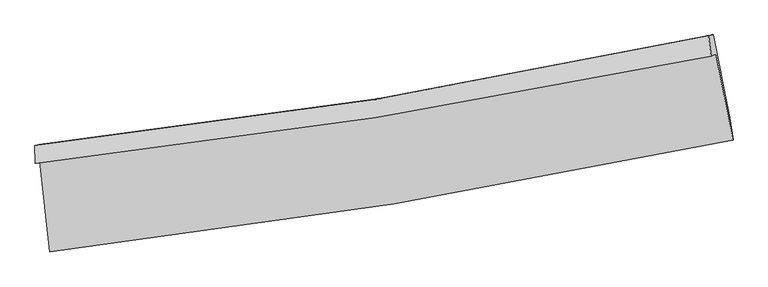
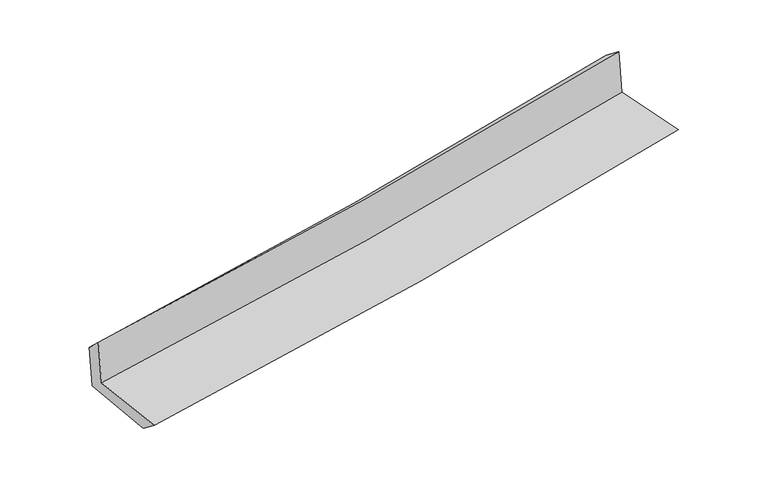
"""IFC4 building model written with IfcOpenShell, lengths in millimetres: proxy geometry."""

from ifc_helpers import new_model, si_unit, frame, origin, place, context, project, spatial, source, transform, mapped, element, save
from ifc_brep_helpers import plane_surface, spline_curve, spline_surface, advanced_brep


def generic_models_3e183903(model_context):
    return source(origin(), model_context, "Body", "AdvancedBrep", [
        advanced_brep(
        [(-2560.3912901, -1882.1413256, 1660.1503286), (-2485.3918886, -2558.510125, 1648.5599665), (2630.7756928, -1719.8031944, 2110.736248), (2501.548319, -1077.0815004, 2116.6708376), (-2594.8162523, -1896.8676904, 2058.0187061), (2466.990374, -1091.9627179, 2520.2514955), (-2598.3191988, -1762.0972002, 1934.0049239), (2447.5595585, -938.480143, 2398.7920844), (-2564.9796647, -1754.0202455, 1556.1478636), (2480.6381477, -930.4806557, 2025.9295302), (-2491.4104034, -2407.0952426, 1532.2284118), (2607.1313622, -1549.4019698, 1998.1611626)],
        [
            (0, 1),
            (1, 2, spline_curve(3, [(-2485.3918886, -2558.510125, 1648.5599665), (-1624.259840509, -2458.551626835, 1728.15485221), (-765.978118869, -2338.389232318, 1806.587688208), (939.374472785, -2058.560809966, 1960.631526137), (1786.481945165, -1899.154227678, 2036.257450788), (2630.7756928, -1719.8031944, 2110.736248)], [4, 2, 4], [0.0, 8.519915369740072, 16.984950334540518])),
            (2, 3),
            (3, 0, spline_curve(3, [(2501.548319, -1077.0815004, 2116.6708376), (1666.506576364, -1248.284514272, 2043.221636383), (828.529895836, -1400.818088084, 1968.580446458), (-858.74512854, -1669.414222936, 1816.422449264), (-1708.08165101, -1785.233923863, 1738.890136008), (-2560.3912901, -1882.1413256, 1660.1503286)], [4, 2, 4], [0.0, 8.465034964800445, 16.984950334540518])),
            (4, 0),
            (3, 5),
            (5, 4, spline_curve(3, [(2466.990374, -1091.9627179, 2520.2514955), (1631.842345231, -1263.196016677, 2447.268776687), (793.823360209, -1415.73196097, 2372.388629759), (-893.408168572, -1684.276841441, 2218.335715861), (-1742.658059222, -1800.042554657, 2139.138266328), (-2594.8162523, -1896.8676904, 2058.0187061)], [4, 2, 4], [0.0, 8.416802316119284, 16.88817233589557])),
            (6, 4),
            (5, 7),
            (7, 6, spline_curve(3, [(2447.5595585, -938.480143, 2398.7920844), (1616.122566304, -1119.612245042, 2330.819166558), (781.283854107, -1278.662862903, 2258.240522788), (-900.631480813, -1553.489127009, 2103.371382507), (-1747.752354173, -1668.977528015, 2021.020972824), (-2598.3191988, -1762.0972002, 1934.0049239)], [4, 2, 4], [0.0, 8.407442348970758, 16.86939171918085])),
            (8, 6),
            (7, 9),
            (9, 8, spline_curve(3, [(2480.6381477, -930.4806557, 2025.9295302), (1650.261446634, -1111.317080612, 1945.540832119), (815.976197722, -1270.21296817, 1866.320716048), (-865.845562276, -1545.011576182, 1709.711626061), (-1713.432917784, -1660.628885228, 1632.337853006), (-2564.9796647, -1754.0202455, 1556.1478636)], [4, 2, 4], [0.0, 8.397866917817097, 16.850178777562412])),
            (10, 8),
            (9, 11),
            (11, 10, spline_curve(3, [(2607.1313622, -1549.4019698, 1998.1611626), (1767.765901609, -1740.311139826, 1921.350247413), (924.589876539, -1907.087450747, 1844.243476551), (-774.874476019, -2193.29913863, 1688.936408346), (-1631.212372707, -2312.420585059, 1610.732262169), (-2491.4104034, -2407.0952426, 1532.2284118)], [4, 2, 4], [0.0, 8.445052719682476, 16.94485629567209])),
            (1, 10),
            (11, 2),
        ],
        [
            spline_surface(3, 3, [[(-2560.3912901, -1882.1413256, 1660.1503286), (-1708.081650886, -1785.233923936, 1738.890136133), (-858.745128435, -1669.41422286, 1816.422449297), (828.529895732, -1400.818088159, 1968.580446425), (1666.506576321, -1248.284514141, 2043.221636265), (2501.548319, -1077.0815004, 2116.6708376)], [(-2535.391489598, -2107.597592079, 1656.286874584), (-1680.141047396, -2009.673158229, 1735.311708164), (-827.822791923, -1892.405892681, 1813.144195555), (865.478088095, -1620.065662085, 1965.930806373), (1706.498365915, -1465.241085264, 2040.90024115), (2544.624110263, -1291.322065055, 2114.692641081)], [(-2510.391689102, -2333.053858521, 1652.423420516), (-1652.200443913, -2234.112392485, 1731.733280144), (-796.900455414, -2115.397562514, 1809.865941816), (902.426280455, -1839.313236023, 1963.281166322), (1746.490155521, -1682.197656422, 2038.578845994), (2587.699901537, -1505.562629745, 2112.714444519)], [(-2485.3918886, -2558.510125, 1648.5599665), (-1624.259840423, -2458.551626778, 1728.154852175), (-765.978118902, -2338.389232334, 1806.587688074), (939.374472818, -2058.560809949, 1960.63152627), (1786.481945115, -1899.154227546, 2036.25745088), (2630.7756928, -1719.8031944, 2110.736248)]], [4, 4], [4, 2, 4], [0.0, 2.202137244974009], [0.0, 8.519915369740072, 16.984950334540518]),
            spline_surface(3, 3, [[(-2594.8162523, -1896.8676904, 2058.0187061), (-1742.658059134, -1800.042554526, 2139.138266347), (-893.408168627, -1684.276841346, 2218.33571584), (793.823360263, -1415.731961064, 2372.388629779), (1631.842345152, -1263.196016759, 2447.268776774), (2466.990374, -1091.9627179, 2520.2514955)], [(-2583.341264897, -1891.958902139, 1925.39591359), (-1731.132589715, -1795.106344335, 2005.722222932), (-881.853821883, -1679.322635188, 2084.364627014), (805.392205433, -1410.760670099, 2237.785902016), (1643.397088856, -1258.225515913, 2312.586396604), (2478.509688981, -1087.002312094, 2385.724609533)], [(-2571.866277503, -1887.050113861, 1792.77312111), (-1719.607120305, -1790.170134127, 1872.306179547), (-870.299475179, -1674.368429019, 1950.393538123), (816.961050562, -1405.789379124, 2103.183174188), (1654.951832617, -1253.255014987, 2177.904016435), (2490.029004019, -1082.041906206, 2251.197723567)], [(-2560.3912901, -1882.1413256, 1660.1503286), (-1708.081650886, -1785.233923936, 1738.890136133), (-858.745128435, -1669.41422286, 1816.422449297), (828.529895732, -1400.818088159, 1968.580446425), (1666.506576321, -1248.284514141, 2043.221636265), (2501.548319, -1077.0815004, 2116.6708376)]], [4, 4], [4, 2, 4], [0.0, 1.32748998291741], [0.0, 8.471370019776288, 16.88817233589557]),
            spline_surface(3, 3, [[(-2598.3191988, -1762.0972002, 1934.0049239), (-1747.752354185, -1668.977528092, 2021.020972825), (-900.63148075, -1553.489126948, 2103.371382474), (781.283854045, -1278.662862965, 2258.24052282), (1616.122566404, -1119.612245062, 2330.819166671), (2447.5595585, -938.480143, 2398.7920844)], [(-2597.151549987, -1807.020696915, 1975.342851318), (-1746.054255855, -1712.665870218, 2060.393404017), (-898.223710048, -1597.085031746, 2141.692826908), (785.463689445, -1324.35256233, 2296.289891786), (1621.362492666, -1167.473502278, 2369.635703379), (2454.036497012, -989.641001284, 2439.278554774)], [(-2595.983901113, -1851.944193685, 2016.680778682), (-1744.356157464, -1756.3542124, 2099.765835155), (-895.815939329, -1640.680936548, 2180.014271406), (789.643524863, -1370.042261699, 2334.339260814), (1626.60241889, -1215.334759543, 2408.452240067), (2460.513435488, -1040.801859616, 2479.765025126)], [(-2594.8162523, -1896.8676904, 2058.0187061), (-1742.658059134, -1800.042554526, 2139.138266347), (-893.408168627, -1684.276841346, 2218.33571584), (793.823360263, -1415.731961064, 2372.388629779), (1631.842345152, -1263.196016759, 2447.268776774), (2466.990374, -1091.9627179, 2520.2514955)]], [4, 4], [4, 2, 4], [0.0, 0.5790702430892717], [0.0, 8.461949370210093, 16.86939171918085]),
            spline_surface(3, 3, [[(-2564.9796647, -1754.0202455, 1556.1478636), (-1713.432917715, -1660.628885133, 1632.337853024), (-865.845562358, -1545.011576189, 1709.711625929), (815.976197803, -1270.212968163, 1866.320716179), (1650.261446575, -1111.317080537, 1945.540832155), (2480.6381477, -930.4806557, 2025.9295302)], [(-2576.092842728, -1756.712563737, 1682.100217024), (-1724.872729867, -1663.411766123, 1761.898892948), (-877.440868489, -1547.837426446, 1840.931544779), (804.412083217, -1273.029599768, 1996.960651728), (1638.881819841, -1114.082135387, 2073.966943658), (2469.61195129, -933.147151475, 2150.217048264)], [(-2587.206020772, -1759.404881963, 1808.052570476), (-1736.312542034, -1666.194647102, 1891.459932901), (-889.03617462, -1550.663276691, 1972.151463624), (792.847968631, -1275.84623136, 2127.600587272), (1627.502193138, -1116.847190212, 2202.393055169), (2458.58575491, -935.813647225, 2274.504566336)], [(-2598.3191988, -1762.0972002, 1934.0049239), (-1747.752354185, -1668.977528092, 2021.020972825), (-900.63148075, -1553.489126948, 2103.371382474), (781.283854045, -1278.662862965, 2258.24052282), (1616.122566404, -1119.612245062, 2330.819166671), (2447.5595585, -938.480143, 2398.7920844)]], [4, 4], [4, 2, 4], [0.0, 1.2940264293601194], [0.0, 8.452311859745315, 16.850178777562412]),
            spline_surface(3, 3, [[(-2491.4104034, -2407.0952426, 1532.2284118), (-1631.212372606, -2312.420585182, 1610.732262093), (-774.87447599, -2193.299138504, 1688.936408281), (924.589876511, -1907.087450873, 1844.243476615), (1767.765901747, -1740.311139961, 1921.350247342), (2607.1313622, -1549.4019698, 1998.1611626)], [(-2515.933490484, -2189.403576916, 1540.201562403), (-1658.61922096, -2095.156685181, 1617.93412574), (-805.198171451, -1977.203284398, 1695.861480859), (888.385316936, -1694.795956635, 1851.602556499), (1728.597750033, -1530.646453492, 1929.413775601), (2564.966957377, -1343.094865106, 2007.417285121)], [(-2540.456577616, -1971.711911184, 1548.174712997), (-1686.026069361, -1877.892785133, 1625.135989377), (-835.521866897, -1761.107430295, 1702.786553351), (852.180757377, -1482.504462401, 1858.961636296), (1689.429598289, -1320.981767006, 1937.477303896), (2522.802552523, -1136.787760394, 2016.673407679)], [(-2564.9796647, -1754.0202455, 1556.1478636), (-1713.432917715, -1660.628885133, 1632.337853024), (-865.845562358, -1545.011576189, 1709.711625929), (815.976197803, -1270.212968163, 1866.320716179), (1650.261446575, -1111.317080537, 1945.540832155), (2480.6381477, -930.4806557, 2025.9295302)]], [4, 4], [4, 2, 4], [0.0, 2.13472462669457], [0.0, 8.499803575989613, 16.94485629567209]),
            spline_surface(3, 3, [[(-2485.3918886, -2558.510125, 1648.5599665), (-1624.259840423, -2458.551626778, 1728.154852175), (-765.978118902, -2338.389232334, 1806.587688074), (939.374472818, -2058.560809949, 1960.63152627), (1786.481945115, -1899.154227546, 2036.25745088), (2630.7756928, -1719.8031944, 2110.736248)], [(-2487.398060206, -2508.038497515, 1609.782781581), (-1626.577351157, -2409.841279561, 1689.013988795), (-768.943571268, -2290.025867723, 1767.37059478), (934.446274045, -2008.069690256, 1921.835509688), (1780.243264003, -1846.206531671, 1997.955049696), (2622.894249277, -1663.002786187, 2073.211219528)], [(-2489.404231794, -2457.566870085, 1571.005596719), (-1628.894861872, -2361.130932398, 1649.873125473), (-771.909023624, -2241.662503115, 1728.153501576), (929.518075283, -1957.578570566, 1883.039493197), (1774.004582859, -1793.258835836, 1959.652648527), (2615.012805723, -1606.202378013, 2035.686191072)], [(-2491.4104034, -2407.0952426, 1532.2284118), (-1631.212372606, -2312.420585182, 1610.732262093), (-774.87447599, -2193.299138504, 1688.936408281), (924.589876511, -1907.087450873, 1844.243476615), (1767.765901747, -1740.311139961, 1921.350247342), (2607.1313622, -1549.4019698, 1998.1611626)]], [4, 4], [4, 2, 4], [0.0, 0.620900070322606], [0.0, 8.557954739854216, 17.060784046978632]),
            plane_surface(frame((2522.4405757, -1217.8683635, 2195.0902264), z_axis=(0.9764896086407263, 0.19549703576002225, 0.09082374813740085), x_axis=(-0.08834799918467884, -0.02136544260468641, 0.9958605067489974))),
            plane_surface(frame((-2549.2181163, -2043.4553049, 1731.5183667), z_axis=(-0.9900714695079575, -0.10824781974730856, -0.08967103649622926), x_axis=(-0.1101939076341233, 0.9937642102995438, 0.017029299693367004))),
        ],
        [
            (0, [[1, 2, 3, 4]]),
            (1, [[5, -4, 6, 7]]),
            (2, [[8, -7, 9, 10]]),
            (3, [[11, -10, 12, 13]]),
            (4, [[14, -13, 15, 16]]),
            (5, [[17, -16, 18, -2]]),
            (6, [[-12, -9, -6, -3, -18, -15]]),
            (7, [[-1, -5, -8, -11, -14, -17]]),
        ],
    ),
    ])


if __name__ == "__main__":
    model = new_model("IFC4")
    model_context = context("Model", 3, world=origin())
    ifc_project = project(units=[si_unit("LENGTHUNIT", "METRE", prefix="MILLI")], contexts=[model_context])
    site = spatial("IfcSite", under=ifc_project)
    building = spatial("IfcBuilding", under=site)
    placement = place(None, origin())
    generic_models_shape = generic_models_3e183903(model_context)
    element("IfcBuildingElementProxy", 1, Name="Generic Models", at=placement, inside=building, context=model_context, shape_type="MappedRepresentation", body=[
        mapped(generic_models_shape, transform((0.0, 0.0, 0.0), x_axis=(1.0, 0.0, 0.0), y_axis=(0.0, 1.0, 0.0), z_axis=(0.0, 0.0, 1.0))),
    ])
    save(model, "model.ifc")
